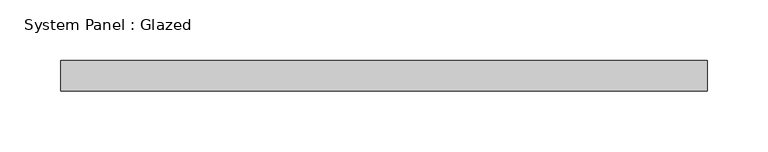
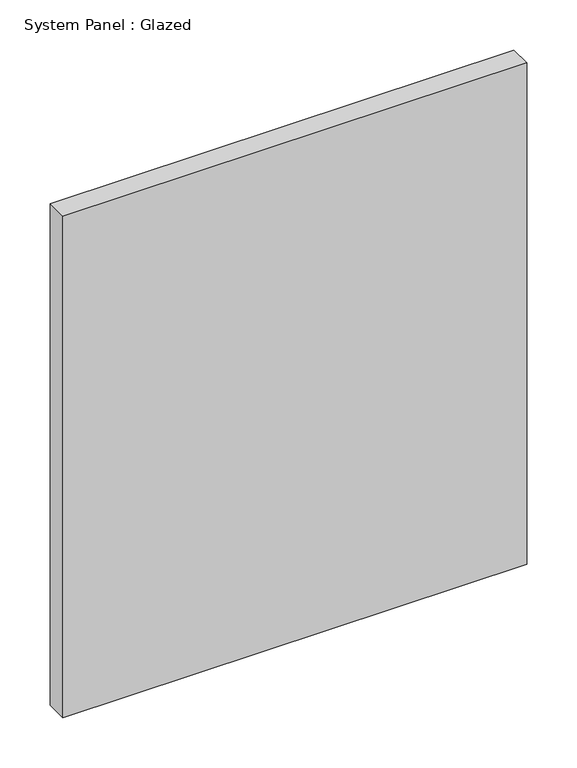
"""IFC4 building model written with IfcOpenShell, lengths in millimetres: plate geometry, System Panel : Glazed."""

from ifc_helpers import new_model, si_unit, origin, origin_with_axes, place, context, project, spatial, polyline, outline, extrude, source, transform, mapped, element, save


def system_panel_glazed_f8cbb969(model_context):
    return source(origin(), model_context, "Body", "SweptSolid", [
        extrude(outline(polyline([(266.7, 19.05), (-266.7, 19.05), (-266.7, 44.45), (266.7, 44.45), (266.7, 19.05)])), origin_with_axes(), (0.0, 0.0, 1.0), 609.6),
    ])


if __name__ == "__main__":
    model = new_model("IFC4")
    model_context = context("Model", 3, world=origin())
    ifc_project = project(units=[si_unit("LENGTHUNIT", "METRE", prefix="MILLI")], contexts=[model_context])
    site = spatial("IfcSite", under=ifc_project)
    building = spatial("IfcBuilding", under=site)
    placement = place(None, origin())
    system_panel_glazed_shape = system_panel_glazed_f8cbb969(model_context)
    element("IfcPlate", 1, ObjectType="System Panel : Glazed", at=placement, inside=building, context=model_context, shape_type="MappedRepresentation", body=[
        mapped(system_panel_glazed_shape, transform((0.0, 0.0, 0.0), x_axis=(1.0, 0.0, 0.0), y_axis=(0.0, 1.0, 0.0), z_axis=(0.0, 0.0, 1.0))),
    ])
    save(model, "model.ifc")
